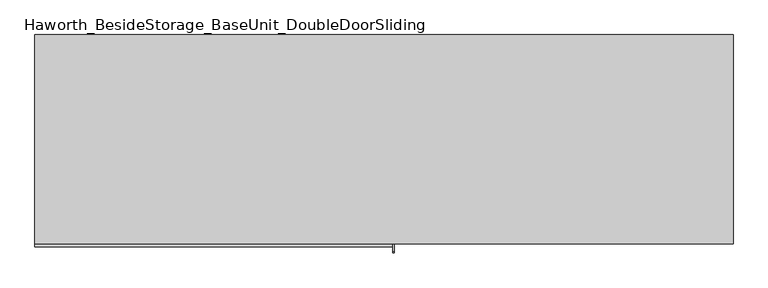
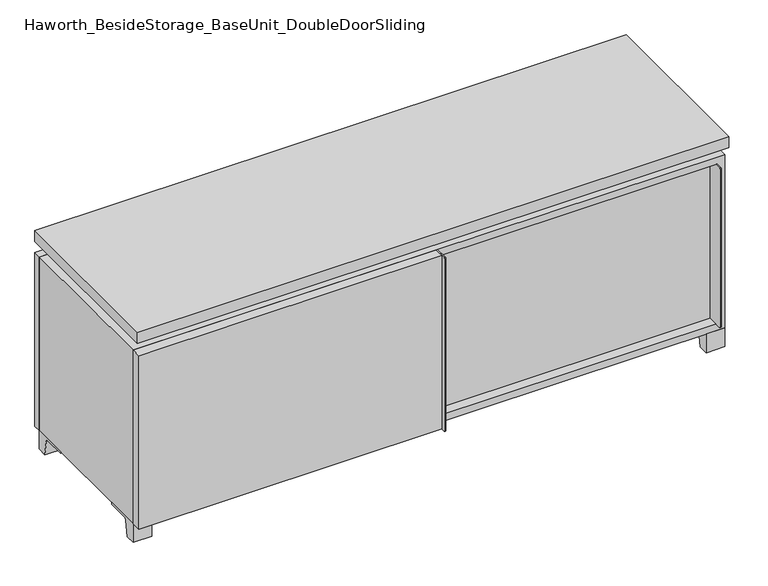
"""IFC4 building model written with IfcOpenShell, lengths in millimetres: furniture geometry, Haworth_BesideStorage_BaseUnit_DoubleDoorSliding."""

from ifc_helpers import new_model, si_unit, point, frame, frame_2d, origin, place, context, project, spatial, polyline, circle_curve, trimmed, segment, composite_curve, outline, extrude, faceted_brep, source, transform, mapped, element, save


def haworth_besidestorage_baseunit_doubledoorsliding_e932974d(model_context):
    return source(origin(), model_context, "Body", "SolidModel", [
        extrude(outline(polyline([(9.5319453, 241.3), (742.9569453, 241.3), (742.9569453, -92.075), (9.5319453, -92.075), (9.5319453, 241.3)])), frame((0.0, 0.0, 277.8125), z_axis=(0.0, 0.0, 1.0), x_axis=(1.0, 0.0, 0.0)), (0.0, 0.0, 1.0), 19.05),
        extrude(outline(polyline([(-9.5041641, 241.3), (-9.5041641, -92.075), (-742.9291641, -92.075), (-742.9291641, 241.3), (-9.5041641, 241.3)])), frame((0.0, 0.0, 277.8125), z_axis=(0.0, 0.0, 1.0), x_axis=(1.0, 0.0, 0.0)), (0.0, 0.0, 1.0), 19.05),
        extrude(outline(composite_curve([segment(polyline([(47.6249864, 0.0), (22.225, 0.0), (22.225, 50.8), (117.475, 50.8), (117.475, 46.0213321), (60.6744655, 46.0213321)]), True, "CONTINUOUS"), segment(trimmed(circle_curve(frame_2d((60.6744655, 39.6713321)), 6.35), [point((60.6744655, 46.0213321))], [point((54.4108641, 40.7152656))], True, "CARTESIAN"), True, "CONTINUOUS"), segment(polyline([(54.4108641, 40.7152656), (47.6249864, 0.0)]), True, "CONTINUOUS")], self_intersect=False)), frame((-23.7986094, 0.0, 0.0), z_axis=(1.0, 0.0, 0.0), x_axis=(0.0, 1.0, 0.0)), (0.0, 0.0, 1.0), 47.625),
        extrude(outline(composite_curve([segment(polyline([(-95.25, 504.825), (-95.25, 69.85), (-161.925, 69.85)]), True, "CONTINUOUS"), segment(trimmed(circle_curve(frame_2d((-161.925, 73.025)), 3.175), [point((-161.925, 69.85))], [point((-165.1, 73.025))], False, "CARTESIAN"), True, "CONTINUOUS"), segment(polyline([(-165.1, 73.025), (-165.1, 501.65)]), True, "CONTINUOUS"), segment(trimmed(circle_curve(frame_2d((-161.925, 501.65)), 3.175), [point((-165.1, 501.65))], [point((-161.925, 504.825))], False, "CARTESIAN"), True, "CONTINUOUS"), segment(polyline([(-161.925, 504.825), (-95.25, 504.825)]), True, "CONTINUOUS")], self_intersect=False)), frame((739.7819453, 0.0, 0.0), z_axis=(1.0, 0.0, 0.0), x_axis=(0.0, 1.0, 0.0)), (0.0, 0.0, 1.0), 3.175),
        extrude(outline(polyline([(15.8819453, -95.25), (739.7819453, -95.25), (739.7819453, -120.65), (15.8819453, -120.65), (15.8819453, -95.25)])), frame((0.0, 0.0, 69.85), z_axis=(0.0, 0.0, 1.0), x_axis=(1.0, 0.0, 0.0)), (0.0, 0.0, 1.0), 434.975),
        extrude(outline(polyline([(762.0138906, 292.1), (762.0138906, -165.1), (-761.9861094, -165.1), (-761.9861094, 292.1), (762.0138906, 292.1)])), frame((0.0, 0.0, 554.0375), z_axis=(0.0, 0.0, 1.0), x_axis=(1.0, 0.0, 0.0)), (0.0, 0.0, 1.0), 30.1625),
        extrude(outline(composite_curve([segment(polyline([(-146.05, 523.875), (-146.05, 50.8), (-180.975, 50.8)]), True, "CONTINUOUS"), segment(trimmed(circle_curve(frame_2d((-180.975, 53.975)), 3.175), [point((-180.975, 50.8))], [point((-184.15, 53.975))], False, "CARTESIAN"), True, "CONTINUOUS"), segment(polyline([(-184.15, 53.975), (-184.15, 520.7)]), True, "CONTINUOUS"), segment(trimmed(circle_curve(frame_2d((-180.975, 520.7)), 3.175), [point((-184.15, 520.7))], [point((-180.975, 523.875))], False, "CARTESIAN"), True, "CONTINUOUS"), segment(polyline([(-180.975, 523.875), (-146.05, 523.875)]), True, "CONTINUOUS")], self_intersect=False)), frame((19.0638906, 0.0, 0.0), z_axis=(1.0, 0.0, 0.0), x_axis=(0.0, 1.0, 0.0)), (0.0, 0.0, 1.0), 3.175),
        extrude(outline(polyline([(-761.9861094, -146.05), (19.0638906, -146.05), (19.0638906, -171.45), (-761.9861094, -171.45), (-761.9861094, -146.05)])), frame((0.0, 0.0, 50.8), z_axis=(0.0, 0.0, 1.0), x_axis=(1.0, 0.0, 0.0)), (0.0, 0.0, 1.0), 473.075),
        extrude(outline(composite_curve([segment(polyline([(-120.6500136, 0.0), (-146.05, 0.0), (-146.05, 50.8), (-50.8, 50.8), (-50.8, 46.0213321), (-107.6005345, 46.0213321)]), True, "CONTINUOUS"), segment(trimmed(circle_curve(frame_2d((-107.6005345, 39.6713321)), 6.35), [point((-107.6005345, 46.0213321))], [point((-113.8641359, 40.7152656))], True, "CARTESIAN"), True, "CONTINUOUS"), segment(polyline([(-113.8641359, 40.7152656), (-120.6500136, 0.0)]), True, "CONTINUOUS")], self_intersect=False)), frame((714.3888906, 0.0, 0.0), z_axis=(1.0, 0.0, 0.0), x_axis=(0.0, 1.0, 0.0)), (0.0, 0.0, 1.0), 47.625),
        extrude(outline(composite_curve([segment(polyline([(247.6500136, 0.0), (240.8641359, 40.7152656)]), True, "CONTINUOUS"), segment(trimmed(circle_curve(frame_2d((234.6005345, 39.6713321)), 6.35), [point((240.8641359, 40.7152656))], [point((234.6005345, 46.0213321))], True, "CARTESIAN"), True, "CONTINUOUS"), segment(polyline([(234.6005345, 46.0213321), (177.8, 46.0213321), (177.8, 50.8), (273.05, 50.8), (273.05, 0.0), (247.6500136, 0.0)]), True, "CONTINUOUS")], self_intersect=False)), frame((714.3888906, 0.0, 0.0), z_axis=(1.0, 0.0, 0.0), x_axis=(0.0, 1.0, 0.0)), (0.0, 0.0, 1.0), 47.625),
        extrude(outline(composite_curve([segment(polyline([(-120.6500136, 0.0), (-146.05, 0.0), (-146.05, 50.8), (-50.8, 50.8), (-50.8, 46.0213321), (-107.6005345, 46.0213321)]), True, "CONTINUOUS"), segment(trimmed(circle_curve(frame_2d((-107.6005345, 39.6713321)), 6.35), [point((-107.6005345, 46.0213321))], [point((-113.8641359, 40.7152656))], True, "CARTESIAN"), True, "CONTINUOUS"), segment(polyline([(-113.8641359, 40.7152656), (-120.6500136, 0.0)]), True, "CONTINUOUS")], self_intersect=False)), frame((-761.9861094, 0.0, 0.0), z_axis=(1.0, 0.0, 0.0), x_axis=(0.0, 1.0, 0.0)), (0.0, 0.0, 1.0), 47.625),
        extrude(outline(composite_curve([segment(polyline([(247.6500136, 0.0), (240.8641359, 40.7152656)]), True, "CONTINUOUS"), segment(trimmed(circle_curve(frame_2d((234.6005345, 39.6713321)), 6.35), [point((240.8641359, 40.7152656))], [point((234.6005345, 46.0213321))], True, "CARTESIAN"), True, "CONTINUOUS"), segment(polyline([(234.6005345, 46.0213321), (177.8, 46.0213321), (177.8, 50.8), (273.05, 50.8), (273.05, 0.0), (247.6500136, 0.0)]), True, "CONTINUOUS")], self_intersect=False)), frame((-761.9861094, 0.0, 0.0), z_axis=(1.0, 0.0, 0.0), x_axis=(0.0, 1.0, 0.0)), (0.0, 0.0, 1.0), 47.625),
        faceted_brep([(7.9513906, -120.65, 554.0375), (7.9513906, -120.65, 523.875), (7.9513906, 53.975, 523.875), (7.9513906, 53.975, 554.0375), (7.9513906, 247.65, 523.875), (7.9513906, 247.65, 554.0375), (7.9513906, 73.025, 554.0375), (7.9513906, 73.025, 523.875), (-7.9236094, 247.65, 554.0375), (-7.9236094, 247.65, 523.875), (-7.9236094, 73.025, 523.875), (-7.9236094, 73.025, 554.0375), (-7.9236094, -120.65, 523.875), (-7.9236094, -120.65, 554.0375), (-7.9236094, 53.975, 554.0375), (-7.9236094, 53.975, 523.875), (-720.6833281, 73.025, 554.0375), (-720.7041641, 247.65, 554.0375), (-736.5791641, 247.65, 554.0375), (-736.5791641, -120.65, 554.0375), (-720.7041641, -120.65, 554.0375), (-720.7041641, 53.975, 554.0375), (720.7111094, 53.975, 554.0375), (720.7111094, -120.65, 554.0375), (736.5861094, -120.65, 554.0375), (736.5861094, 247.65, 554.0375), (720.7111094, 247.65, 554.0375), (720.7111094, 73.025, 554.0375), (-720.6833281, 53.975, 523.875), (-720.7041641, -120.65, 523.875), (-736.5791641, -120.65, 523.875), (-736.5791641, 247.65, 523.875), (-720.7041641, 247.65, 523.875), (-720.7041641, 73.025, 523.875), (720.7111094, 73.025, 523.875), (720.7111094, 247.65, 523.875), (736.5861094, 247.65, 523.875), (736.5861094, -120.65, 523.875), (720.7111094, -120.65, 523.875), (720.7111094, 53.975, 523.875)], [[[0, 1, 2, 3]], [[4, 5, 6, 7]], [[8, 9, 10, 11]], [[12, 13, 14, 15]], [[5, 8, 11, 16, 17, 18, 19, 20, 21, 14, 13, 0, 3, 22, 23, 24, 25, 26, 27, 6]], [[1, 12, 15, 28, 29, 30, 31, 32, 33, 10, 9, 4, 7, 34, 35, 36, 37, 38, 39, 2]], [[5, 4, 9, 8]], [[1, 0, 13, 12]], [[6, 27, 34, 7]], [[22, 3, 2, 39]], [[20, 29, 28, 21]], [[32, 17, 16, 33]], [[18, 31, 30, 19]], [[29, 20, 19, 30]], [[17, 32, 31, 18]], [[26, 35, 34, 27]], [[38, 23, 22, 39]], [[25, 24, 37, 36]], [[23, 38, 37, 24]], [[35, 26, 25, 36]], [[16, 11, 10, 33]], [[14, 21, 28, 15]]]),
        extrude(outline(polyline([(9.5388906, 241.3), (9.5388906, -95.25), (-9.5111094, -95.25), (-9.5111094, 241.3), (9.5388906, 241.3)])), frame((0.0, 0.0, 69.85), z_axis=(0.0, 0.0, 1.0), x_axis=(1.0, 0.0, 0.0)), (0.0, 0.0, 1.0), 434.975),
        extrude(outline(polyline([(15.8888906, -88.9), (15.8888906, -146.05), (-9.5111094, -146.05), (-9.5111094, -120.65), (3.1888906, -120.65), (3.1888906, -88.9), (15.8888906, -88.9)])), frame((0.0, 0.0, 69.85), z_axis=(0.0, 0.0, 1.0), x_axis=(1.0, 0.0, 0.0)), (0.0, 0.0, 1.0), 434.975),
        extrude(outline(polyline([(762.0138906, 273.05), (-761.9861094, 273.05), (-761.9861094, 292.1), (762.0138906, 292.1), (762.0138906, 273.05)])), frame((0.0, 0.0, 50.8), z_axis=(0.0, 0.0, 1.0), x_axis=(1.0, 0.0, 0.0)), (0.0, 0.0, 1.0), 473.075),
        extrude(outline(polyline([(50.8, -761.9861094), (50.8, 762.0), (523.875, 762.0), (523.875, -761.9861094), (50.8, -761.9861094)]), holes=[polyline([(69.85, -742.9361094), (504.825, -742.9361094), (504.825, 742.9361094), (69.85, 742.9361094), (69.85, -742.9361094)])]), frame((0.0, -146.05, 0.0), z_axis=(0.0, 1.0, 0.0), x_axis=(0.0, 0.0, 1.0)), (0.0, 0.0, 1.0), 419.1),
        extrude(outline(polyline([(-742.9291641, 241.3), (-742.9291641, 247.65), (742.9569453, 247.65), (742.9569453, 241.3), (-742.9291641, 241.3)])), frame((0.0, 0.0, 69.85), z_axis=(0.0, 0.0, 1.0), x_axis=(1.0, 0.0, 0.0)), (0.0, 0.0, 1.0), 434.975),
    ])


if __name__ == "__main__":
    model = new_model("IFC4")
    model_context = context("Model", 3, world=origin())
    ifc_project = project(units=[si_unit("LENGTHUNIT", "METRE", prefix="MILLI")], contexts=[model_context])
    site = spatial("IfcSite", under=ifc_project)
    building = spatial("IfcBuilding", under=site)
    placement = place(None, origin())
    haworth_besidestorage_baseunit_doubledoorsliding_shape = haworth_besidestorage_baseunit_doubledoorsliding_e932974d(model_context)
    element("IfcFurniture", 1, ObjectType="Haworth_BesideStorage_BaseUnit_DoubleDoorSliding", at=placement, inside=building, context=model_context, shape_type="MappedRepresentation", body=[
        mapped(haworth_besidestorage_baseunit_doubledoorsliding_shape, transform((0.0, 0.0, 0.0), x_axis=(1.0, 0.0, 0.0), y_axis=(0.0, 1.0, 0.0), z_axis=(0.0, 0.0, 1.0))),
    ])
    save(model, "model.ifc")
